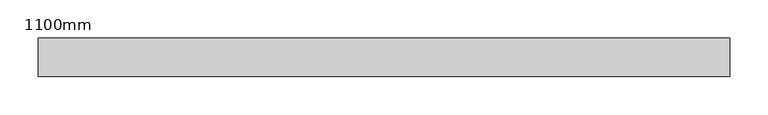
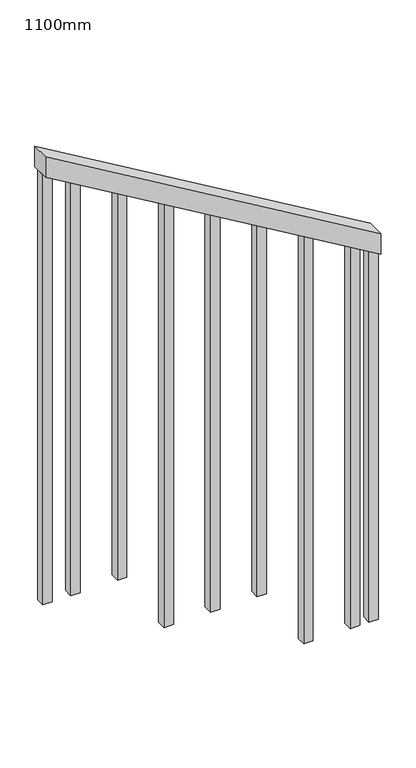
"""IFC4 building model written with IfcOpenShell, lengths in millimetres: railing geometry, 1100mm."""

from ifc_helpers import new_model, si_unit, frame, origin, place, context, project, spatial, polyline, outline, extrude, source, transform, mapped, element, save


def railing_1100mm_c850c0b3(model_context):
    return source(origin(), model_context, "Body", "SweptSolid", [
        extrude(outline(polyline([(1219.6579451, -308020.1057122), (1277.7777778, -308020.1057122), (1811.1111111, -308920.1057122), (1752.9912784, -308920.1057122), (1219.6579451, -308020.1057122)])), frame((0.0, -107667.3420635, 0.0), z_axis=(0.0, 1.0, 0.0), x_axis=(0.0, 0.0, 1.0)), (0.0, 0.0, 1.0), 50.0),
        extrude(outline(polyline([(533.3333333, -308820.1057122), (1693.7320192, -308820.1057122), (1708.546834, -308845.1057122), (533.3333333, -308845.1057122), (533.3333333, -308820.1057122)])), frame((0.0, -107654.8420635, 0.0), z_axis=(0.0, 1.0, 0.0), x_axis=(0.0, 0.0, 1.0)), (0.0, 0.0, 1.0), 25.0),
        extrude(outline(polyline([(533.3333333, -308695.1057122), (1619.6579451, -308695.1057122), (1634.4727599, -308720.1057122), (533.3333333, -308720.1057122), (533.3333333, -308695.1057122)])), frame((0.0, -107654.8420635, 0.0), z_axis=(0.0, 1.0, 0.0), x_axis=(0.0, 0.0, 1.0)), (0.0, 0.0, 1.0), 25.0),
        extrude(outline(polyline([(355.5555556, -308570.1057122), (1545.583871, -308570.1057122), (1560.3986858, -308595.1057122), (355.5555556, -308595.1057122), (355.5555556, -308570.1057122)])), frame((0.0, -107654.8420635, 0.0), z_axis=(0.0, 1.0, 0.0), x_axis=(0.0, 0.0, 1.0)), (0.0, 0.0, 1.0), 25.0),
        extrude(outline(polyline([(355.5555556, -308445.1057122), (1471.5097969, -308445.1057122), (1486.3246118, -308470.1057122), (355.5555556, -308470.1057122), (355.5555556, -308445.1057122)])), frame((0.0, -107654.8420635, 0.0), z_axis=(0.0, 1.0, 0.0), x_axis=(0.0, 0.0, 1.0)), (0.0, 0.0, 1.0), 25.0),
        extrude(outline(polyline([(355.5555556, -308320.1057122), (1397.4357229, -308320.1057122), (1412.2505377, -308345.1057122), (355.5555556, -308345.1057122), (355.5555556, -308320.1057122)])), frame((0.0, -107654.8420635, 0.0), z_axis=(0.0, 1.0, 0.0), x_axis=(0.0, 0.0, 1.0)), (0.0, 0.0, 1.0), 25.0),
        extrude(outline(polyline([(177.7777778, -308195.1057122), (1323.3616488, -308195.1057122), (1338.1764636, -308220.1057122), (177.7777778, -308220.1057122), (177.7777778, -308195.1057122)])), frame((0.0, -107654.8420635, 0.0), z_axis=(0.0, 1.0, 0.0), x_axis=(0.0, 0.0, 1.0)), (0.0, 0.0, 1.0), 25.0),
        extrude(outline(polyline([(177.7777778, -308070.1057122), (1249.2875747, -308070.1057122), (1264.1023895, -308095.1057122), (177.7777778, -308095.1057122), (177.7777778, -308070.1057122)])), frame((0.0, -107654.8420635, 0.0), z_axis=(0.0, 1.0, 0.0), x_axis=(0.0, 0.0, 1.0)), (0.0, 0.0, 1.0), 25.0),
        extrude(outline(polyline([(533.3333333, -308895.1057122), (1738.1764636, -308895.1057122), (1752.9912784, -308920.1057122), (533.3333333, -308920.1057122), (533.3333333, -308895.1057122)])), frame((0.0, -107654.8420635, 0.0), z_axis=(0.0, 1.0, 0.0), x_axis=(0.0, 0.0, 1.0)), (0.0, 0.0, 1.0), 25.0),
        extrude(outline(polyline([(177.7777778, -308020.1057122), (1219.6579451, -308020.1057122), (1234.4727599, -308045.1057122), (177.7777778, -308045.1057122), (177.7777778, -308020.1057122)])), frame((0.0, -107654.8420635, 0.0), z_axis=(0.0, 1.0, 0.0), x_axis=(0.0, 0.0, 1.0)), (0.0, 0.0, 1.0), 25.0),
    ])


if __name__ == "__main__":
    model = new_model("IFC4")
    model_context = context("Model", 3, world=origin())
    ifc_project = project(units=[si_unit("LENGTHUNIT", "METRE", prefix="MILLI")], contexts=[model_context])
    site = spatial("IfcSite", under=ifc_project)
    building = spatial("IfcBuilding", under=site)
    placement = place(None, origin())
    railing_1100mm_shape = railing_1100mm_c850c0b3(model_context)
    element("IfcRailing", 1, ObjectType="1100mm", at=placement, inside=building, context=model_context, shape_type="MappedRepresentation", body=[
        mapped(railing_1100mm_shape, transform((0.0, 0.0, 0.0), x_axis=(1.0, 0.0, 0.0), y_axis=(0.0, 1.0, 0.0), z_axis=(0.0, 0.0, 1.0))),
    ])
    save(model, "model.ifc")
